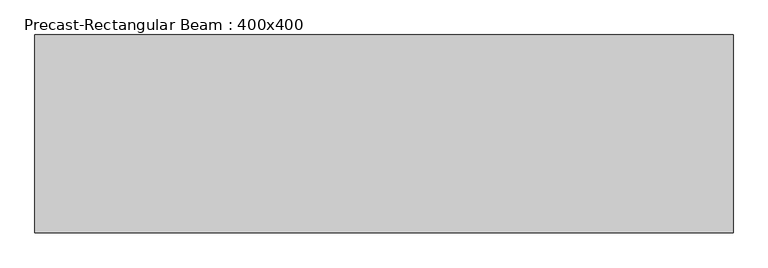
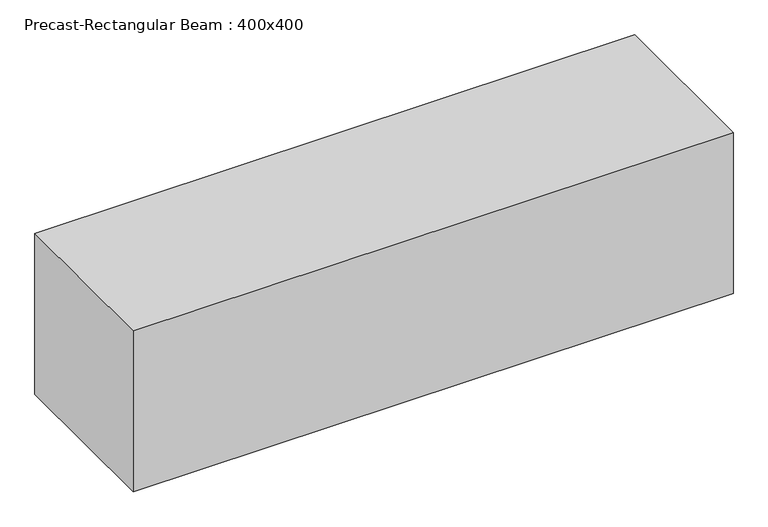
"""IFC4 building model written with IfcOpenShell, lengths in millimetres: beam geometry, Precast-Rectangular Beam : 400x400."""

import ifcopenshell
import ifcopenshell.guid

model = None  # the IFC model being written
_history = None  # IfcOwnerHistory: only IFC2X3 demands one
_inside = {}  # id of a spatial element -> (the spatial element, [elements in it])
_under = {}  # id of a project, library or spatial element -> (it, [spatial elements below it])
_declared = {}  # id of a project -> (the project, [libraries it declares])
_typed = {}  # id of a type object -> (the type object, [elements of that type])
_made_of = {}  # id of a material, layer set ... -> (it, [elements and type objects made of it])


def new_model(schema):
    """Start an empty IFC model of exactly this schema.

    Asked for "IFC4X3", IfcOpenShell would pick the latest addendum, in which some entities
    have other attributes; the version numbers below select the first issue.
    IFC2X3 requires an IfcOwnerHistory on every rooted entity: one is made here for all.
    """
    global model, _history
    if schema == "IFC4X3":
        model = ifcopenshell.file(schema_version=(4, 3, 0, 0))
    else:
        model = ifcopenshell.file(schema=schema)
    _inside.clear()
    _under.clear()
    _declared.clear()
    _typed.clear()
    _made_of.clear()
    _history = None
    if model.schema == "IFC2X3":
        org = make("IfcOrganization", Name="unknown")
        user = make(
            "IfcPersonAndOrganization",
            ThePerson=make("IfcPerson", FamilyName="unknown"),
            TheOrganization=org,
        )
        app = make(
            "IfcApplication",
            ApplicationDeveloper=org,
            Version="unknown",
            ApplicationFullName="unknown",
            ApplicationIdentifier="unknown",
        )
        _history = make(
            "IfcOwnerHistory",
            OwningUser=user,
            OwningApplication=app,
            ChangeAction="ADDED",
            CreationDate=0,
        )
    return model


def make(cls, **values):
    """One entity of the class cls with the attributes given. An attribute that is None is left unset."""
    return model.create_entity(
        cls, **{name: value for name, value in values.items() if value is not None}
    )


def rooted(cls, **values):
    """An entity with a GlobalId (a new one), such as an element, a storey or a relation."""
    return make(cls, GlobalId=ifcopenshell.guid.new(), OwnerHistory=_history, **values)


def si_unit(unit_type, name, prefix=None):
    """IfcSIUnit, for example si_unit("LENGTHUNIT", "METRE", prefix="MILLI")."""
    return make("IfcSIUnit", UnitType=unit_type, Prefix=prefix, Name=name)


def assignment(units):
    """IfcUnitAssignment: the units of a project."""
    return None if units is None else make("IfcUnitAssignment", Units=units)


def point(xyz):
    """IfcCartesianPoint."""
    return None if xyz is None else make("IfcCartesianPoint", Coordinates=xyz)


def direction(xyz):
    """IfcDirection."""
    return None if xyz is None else make("IfcDirection", DirectionRatios=xyz)


def frame(location, z_axis=None, x_axis=None):
    """IfcAxis2Placement3D, a coordinate frame: its origin and axes. An axis left out is left unset."""
    return make(
        "IfcAxis2Placement3D",
        Location=point(location),
        Axis=direction(z_axis),
        RefDirection=direction(x_axis),
    )


def origin():
    """The frame at (0, 0, 0) with its axes left unset."""
    return frame((0.0, 0.0, 0.0))


def place(relative_to, where):
    """IfcLocalPlacement: puts the frame where relative to a parent placement (None: the world)."""
    return make(
        "IfcLocalPlacement", PlacementRelTo=relative_to, RelativePlacement=where
    )


def context(
    kind, dimensions, precision=None, world=None, true_north=None, identifier=None
):
    """IfcGeometricRepresentationContext, for example the 3D "Model" context."""
    return make(
        "IfcGeometricRepresentationContext",
        ContextIdentifier=identifier,
        ContextType=kind,
        CoordinateSpaceDimension=dimensions,
        Precision=precision,
        WorldCoordinateSystem=world,
        TrueNorth=true_north,
    )


def project(units=None, contexts=None):
    """IfcProject with its units and contexts."""
    return rooted(
        "IfcProject",
        Name="project",
        RepresentationContexts=contexts,
        UnitsInContext=assignment(units),
    )


def spatial(cls, under=None, at=None, **own):
    """A site, building, storey or space (cls), placed at a placement, below another one or the project."""
    s = rooted(cls, ObjectPlacement=at, **own)
    if under is not None:
        _under.setdefault(under.id(), (under, []))[1].append(s)
    return s


def polyline(points):
    """IfcPolyline through the points."""
    return make("IfcPolyline", Points=[point(p) for p in points])


def outline(outer, holes=None, kind="AREA"):
    """IfcArbitraryClosedProfileDef: a profile drawn as a closed curve; with holes, ...WithVoids."""
    if holes is None:
        return make("IfcArbitraryClosedProfileDef", ProfileType=kind, OuterCurve=outer)
    return make(
        "IfcArbitraryProfileDefWithVoids",
        ProfileType=kind,
        OuterCurve=outer,
        InnerCurves=holes,
    )


def extrude(swept, where, along, depth):
    """IfcExtrudedAreaSolid: the profile swept, set in the frame where, extruded along a direction by depth."""
    return make(
        "IfcExtrudedAreaSolid",
        SweptArea=swept,
        Position=where,
        ExtrudedDirection=direction(along),
        Depth=depth,
    )


def shape(context_of_items, identifier, shape_type, items):
    """IfcShapeRepresentation: the items that make up one representation, for example the "Body"."""
    return make(
        "IfcShapeRepresentation",
        ContextOfItems=context_of_items,
        RepresentationIdentifier=identifier,
        RepresentationType=shape_type,
        Items=items,
    )


def source(mapping_origin, context_of_items, identifier, shape_type, items):
    """IfcRepresentationMap: a shape defined once, which mapped items show again and again."""
    return make(
        "IfcRepresentationMap",
        MappingOrigin=mapping_origin,
        MappedRepresentation=shape(context_of_items, identifier, shape_type, items),
    )


def transform(
    local_origin,
    x_axis=None,
    y_axis=None,
    z_axis=None,
    scale=None,
    scale2=None,
    scale3=None,
    uniform=True,
):
    """IfcCartesianTransformationOperator3D, or its non-uniform kind. x_axis, y_axis, z_axis: its Axis1, 2, 3."""
    if uniform:
        return make(
            "IfcCartesianTransformationOperator3D",
            Axis1=direction(x_axis),
            Axis2=direction(y_axis),
            LocalOrigin=point(local_origin),
            Scale=scale,
            Axis3=direction(z_axis),
        )
    return make(
        "IfcCartesianTransformationOperator3DnonUniform",
        Axis1=direction(x_axis),
        Axis2=direction(y_axis),
        LocalOrigin=point(local_origin),
        Scale=scale,
        Axis3=direction(z_axis),
        Scale2=scale2,
        Scale3=scale3,
    )


def mapped(mapping_source, mapping_target):
    """IfcMappedItem: shows the shape of a source again, moved by a transform."""
    return make(
        "IfcMappedItem", MappingSource=mapping_source, MappingTarget=mapping_target
    )


def made_of(thing, what):
    """Note that an element or type object is made of a material, layer set ...; save() writes the relation."""
    if what is not None:
        _made_of.setdefault(what.id(), (what, []))[1].append(thing)
    return thing


def element(
    cls,
    number,
    at=None,
    inside=None,
    cuts=None,
    type_object=None,
    material=None,
    context=None,
    identifier="Body",
    shape_type=None,
    held_by="IfcProductDefinitionShape",
    body=None,
    shapes=None,
    **own,
):
    """One element of the class cls, such as IfcWall. Its Tag is "e" and its number.

    at: its placement. inside: the storey or other place that contains it. cuts: it is an
    opening in that element (IfcRelVoidsElement). A single representation is given by context,
    identifier, shape_type and body (its items); several are given by shapes. held_by: the class
    of the entity that holds the representations. save() writes the other relations.
    """
    e = rooted(cls, Tag="e%d" % number, ObjectPlacement=at, **own)
    if body is not None:
        shapes = [shape(context, identifier, shape_type, body)]
    if shapes is not None:
        e.Representation = make(held_by, Representations=shapes)
    if inside is not None:
        _inside.setdefault(inside.id(), (inside, []))[1].append(e)
    if cuts is not None:
        rooted(
            "IfcRelVoidsElement", RelatingBuildingElement=cuts, RelatedOpeningElement=e
        )
    if type_object is not None:
        _typed.setdefault(type_object.id(), (type_object, []))[1].append(e)
    return made_of(e, material)


def aggregate(whole, parts):
    """IfcRelAggregates: a whole, such as a stair, and the parts it consists of."""
    return rooted("IfcRelAggregates", RelatingObject=whole, RelatedObjects=parts)


def save(model, path):
    """Write the relations noted so far, then the file.

    IfcRelAggregates (storeys below a building ...), IfcRelContainedInSpatialStructure (elements
    in a storey), IfcRelDefinesByType, IfcRelAssociatesMaterial and IfcRelDeclares: one each for
    every whole, place, type object, material and project.
    """
    for whole, parts in _under.values():
        aggregate(whole, parts)
    for where, things in _inside.values():
        rooted(
            "IfcRelContainedInSpatialStructure",
            RelatedElements=things,
            RelatingStructure=where,
        )
    for kind, things in _typed.values():
        rooted("IfcRelDefinesByType", RelatedObjects=things, RelatingType=kind)
    for what, things in _made_of.values():
        rooted("IfcRelAssociatesMaterial", RelatedObjects=things, RelatingMaterial=what)
    for by, libraries in _declared.values():
        rooted("IfcRelDeclares", RelatingContext=by, RelatedDefinitions=libraries)
    model.write(path)


def precast_rectangular_beam_400x400_3aca08c0(model_context):
    return source(origin(), model_context, "Body", "SweptSolid", [
        extrude(outline(polyline([(-705.0, -200.0), (-705.0, 200.0), (705.0, 200.0), (705.0, -200.0), (-705.0, -200.0)])), frame((0.0, 0.0, -200.0), z_axis=(0.0, 0.0, 1.0), x_axis=(1.0, 0.0, 0.0)), (0.0, 0.0, 1.0), 400.0),
    ])


if __name__ == "__main__":
    model = new_model("IFC4")
    model_context = context("Model", 3, world=origin())
    ifc_project = project(units=[si_unit("LENGTHUNIT", "METRE", prefix="MILLI")], contexts=[model_context])
    site = spatial("IfcSite", under=ifc_project)
    building = spatial("IfcBuilding", under=site)
    placement = place(None, origin())
    precast_rectangular_beam_400x400_shape = precast_rectangular_beam_400x400_3aca08c0(model_context)
    element("IfcBeam", 1, ObjectType="Precast-Rectangular Beam : 400x400", at=placement, inside=building, context=model_context, shape_type="MappedRepresentation", body=[
        mapped(precast_rectangular_beam_400x400_shape, transform((0.0, 0.0, 0.0), x_axis=(1.0, 0.0, 0.0), y_axis=(0.0, 1.0, 0.0), z_axis=(0.0, 0.0, 1.0))),
    ])
    save(model, "model.ifc")
